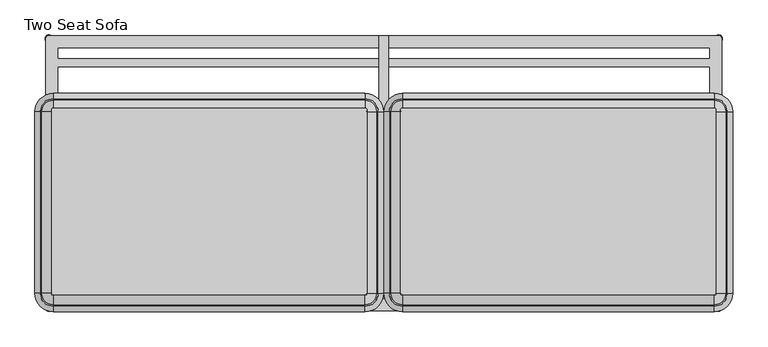
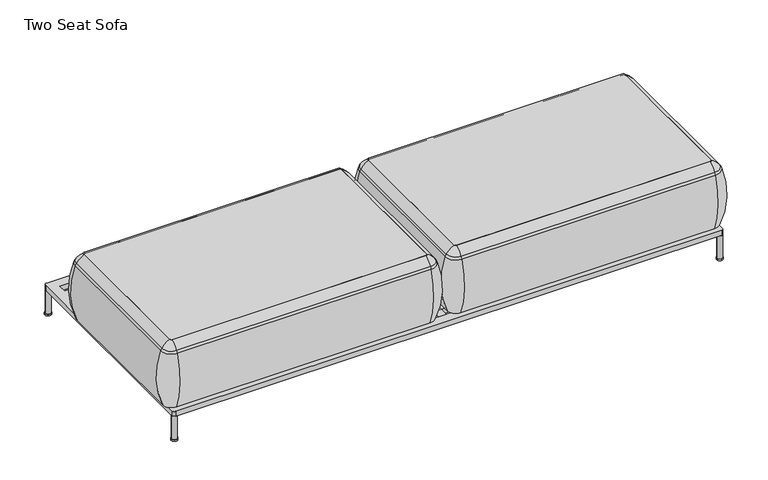
"""IFC4 building model written with IfcOpenShell, lengths in millimetres: furniture geometry, Two Seat Sofa."""

from ifc_helpers import new_model, si_unit, point, frame, frame_2d, origin, origin_with_axes, place, context, project, spatial, polyline, circle_curve, ellipse_curve, trimmed, segment, composite_curve, outline, extrude, source, transform, mapped, element, save
from ifc_brep_helpers import plane_surface, cylinder_surface, revolved_surface, advanced_brep


def two_seat_sofa_555eac6b(model_context):
    return source(origin(), model_context, "Body", "SolidModel", [
        extrude(outline(composite_curve([segment(trimmed(circle_curve(frame_2d((-155.4452882, -433.7002937)), 12.5000005), [point((-167.9452886, -433.7002937))], [point((-142.9452877, -433.7002937))], False, "CARTESIAN"), True, "CONTINUOUS"), segment(trimmed(circle_curve(frame_2d((-155.4452882, -433.7002937)), 12.5000005), [point((-142.9452877, -433.7002937))], [point((-167.9452886, -433.7002937))], False, "CARTESIAN"), True, "CONTINUOUS")], self_intersect=False)), origin_with_axes(), (0.0, 0.0, 1.0), 6.0),
        extrude(outline(composite_curve([segment(trimmed(circle_curve(frame_2d((-155.4452882, -133.6667163)), 12.5000005), [point((-167.9452886, -133.6667163))], [point((-142.9452877, -133.6667163))], False, "CARTESIAN"), True, "CONTINUOUS"), segment(trimmed(circle_curve(frame_2d((-155.4452882, -133.6667163)), 12.5000005), [point((-142.9452877, -133.6667163))], [point((-167.9452886, -133.6667163))], False, "CARTESIAN"), True, "CONTINUOUS")], self_intersect=False)), origin_with_axes(), (0.0, 0.0, 1.0), 6.0),
        extrude(outline(polyline([(-169.7406049, -696.2002953), (-169.7406049, 153.6358637), (-139.7406192, 153.6358637), (-139.7406192, -696.2002953), (-169.7406049, -696.2002953)])), frame((0.0, 0.0, 103.6569541), z_axis=(0.0, 0.0, 1.0), x_axis=(1.0, 0.0, 0.0)), (0.0, 0.0, 1.0), 20.3430443),
        extrude(outline(composite_curve([segment(trimmed(circle_curve(frame_2d((-1239.490311, 143.787786)), 12.5000005), [point((-1251.9903115, 143.787786))], [point((-1226.9903105, 143.787786))], False, "CARTESIAN"), True, "CONTINUOUS"), segment(trimmed(circle_curve(frame_2d((-1239.490311, 143.787786)), 12.5000005), [point((-1226.9903105, 143.787786))], [point((-1251.9903115, 143.787786))], False, "CARTESIAN"), True, "CONTINUOUS")], self_intersect=False)), origin_with_axes(), (0.0, 0.0, 1.0), 6.0),
        extrude(outline(composite_curve([segment(trimmed(circle_curve(frame_2d((-1239.490311, -726.2491859)), 12.5000005), [point((-1251.9903115, -726.2491859))], [point((-1226.9903105, -726.2491859))], False, "CARTESIAN"), True, "CONTINUOUS"), segment(trimmed(circle_curve(frame_2d((-1239.490311, -726.2491859)), 12.5000005), [point((-1226.9903105, -726.2491859))], [point((-1251.9903115, -726.2491859))], False, "CARTESIAN"), True, "CONTINUOUS")], self_intersect=False)), origin_with_axes(), (0.0, 0.0, 1.0), 6.0),
        extrude(outline(composite_curve([segment(trimmed(circle_curve(frame_2d((930.1872347, 143.787786)), 12.5000005), [point((917.6872342, 143.787786))], [point((942.6872352, 143.787786))], False, "CARTESIAN"), True, "CONTINUOUS"), segment(trimmed(circle_curve(frame_2d((930.1872347, 143.787786)), 12.5000005), [point((942.6872352, 143.787786))], [point((917.6872342, 143.787786))], False, "CARTESIAN"), True, "CONTINUOUS")], self_intersect=False)), origin_with_axes(), (0.0, 0.0, 1.0), 6.0),
        extrude(outline(composite_curve([segment(trimmed(circle_curve(frame_2d((930.0926028, -726.2033172)), 12.5000005), [point((917.5926024, -726.2033172))], [point((942.5926033, -726.2033172))], False, "CARTESIAN"), True, "CONTINUOUS"), segment(trimmed(circle_curve(frame_2d((930.0926028, -726.2033172)), 12.5000005), [point((942.5926033, -726.2033172))], [point((917.5926024, -726.2033172))], False, "CARTESIAN"), True, "CONTINUOUS")], self_intersect=False)), origin_with_axes(), (0.0, 0.0, 1.0), 6.0),
        extrude(outline(composite_curve([segment(trimmed(circle_curve(frame_2d((-1239.490311, 143.787786)), 10.4664203), [point((-1249.9567314, 143.787786))], [point((-1229.0238907, 143.787786))], False, "CARTESIAN"), True, "CONTINUOUS"), segment(trimmed(circle_curve(frame_2d((-1239.490311, 143.787786)), 10.4664203), [point((-1229.0238907, 143.787786))], [point((-1249.9567314, 143.787786))], False, "CARTESIAN"), True, "CONTINUOUS")], self_intersect=False)), origin_with_axes(), (0.0, 0.0, 1.0), 103.6569541),
        extrude(outline(composite_curve([segment(trimmed(circle_curve(frame_2d((930.1617227, -726.1628448)), 10.4664203), [point((919.6953024, -726.1628448))], [point((940.6281431, -726.1628448))], False, "CARTESIAN"), True, "CONTINUOUS"), segment(trimmed(circle_curve(frame_2d((930.1617227, -726.1628448)), 10.4664203), [point((940.6281431, -726.1628448))], [point((919.6953024, -726.1628448))], False, "CARTESIAN"), True, "CONTINUOUS")], self_intersect=False)), origin_with_axes(), (0.0, 0.0, 1.0), 103.6569541),
        extrude(outline(composite_curve([segment(trimmed(circle_curve(frame_2d((930.2402147, 143.7799368)), 10.4664203), [point((919.7737944, 143.7799368))], [point((940.706635, 143.7799368))], False, "CARTESIAN"), True, "CONTINUOUS"), segment(trimmed(circle_curve(frame_2d((930.2402147, 143.7799368)), 10.4664203), [point((940.706635, 143.7799368))], [point((919.7737944, 143.7799368))], False, "CARTESIAN"), True, "CONTINUOUS")], self_intersect=False)), origin_with_axes(), (0.0, 0.0, 1.0), 103.6569541),
        extrude(outline(composite_curve([segment(trimmed(circle_curve(frame_2d((-1239.4189857, -726.0945909)), 10.4664203), [point((-1249.8854061, -726.0945909))], [point((-1228.9525654, -726.0945909))], False, "CARTESIAN"), True, "CONTINUOUS"), segment(trimmed(circle_curve(frame_2d((-1239.4189857, -726.0945909)), 10.4664203), [point((-1228.9525654, -726.0945909))], [point((-1249.8854061, -726.0945909))], False, "CARTESIAN"), True, "CONTINUOUS")], self_intersect=False)), origin_with_axes(), (0.0, 0.0, 1.0), 103.6569541),
        extrude(outline(composite_curve([segment(polyline([(-1239.9363796, 153.6358637), (930.4551554, 153.6358637)]), True, "CONTINUOUS"), segment(trimmed(circle_curve(frame_2d((930.4551554, 144.0819322)), 9.5539314), [point((930.4551554, 153.6358637))], [point((940.0090868, 144.0819322))], False, "CARTESIAN"), True, "CONTINUOUS"), segment(polyline([(940.0090868, 144.0819322), (940.0090868, -728.9954927)]), True, "CONTINUOUS"), segment(trimmed(circle_curve(frame_2d((932.8161728, -728.9954927)), 7.192914), [point((940.0090868, -728.9954927))], [point((932.8161728, -736.1884068))], False, "CARTESIAN"), True, "CONTINUOUS"), segment(polyline([(932.8161728, -736.1884068), (-1239.6875349, -736.1884068)]), True, "CONTINUOUS"), segment(trimmed(circle_curve(frame_2d((-1239.6875349, -726.3856306)), 9.8027761), [point((-1239.6875349, -736.1884068))], [point((-1249.490311, -726.3856306))], False, "CARTESIAN"), True, "CONTINUOUS"), segment(polyline([(-1249.490311, -726.3856306), (-1249.490311, 144.0819322)]), True, "CONTINUOUS"), segment(trimmed(circle_curve(frame_2d((-1239.9363796, 144.0819322)), 9.5539314), [point((-1249.490311, 144.0819322))], [point((-1239.9363796, 153.6358637))], False, "CARTESIAN"), True, "CONTINUOUS")], self_intersect=False), holes=[polyline([(-1209.5022296, -663.7579623), (-1209.5022296, -696.2002953), (900.1108076, -696.2002953), (900.1108076, -663.7579623), (-1209.5022296, -663.7579623)]), polyline([(-1209.5022296, 113.7997046), (-1209.5022296, 81.2997034), (900.1108076, 81.2997034), (900.1108076, 113.7997046), (-1209.5022296, 113.7997046)]), polyline([(-1209.5022296, -148.700302), (-1209.5022296, -633.7579584), (900.1108076, -633.7579584), (900.1108076, -148.700302), (-1209.5022296, -148.700302)]), polyline([(900.1108076, 51.2996995), (-1209.5022296, 51.2996995), (-1209.5022296, -118.7002981), (900.1108076, -118.7002981), (900.1108076, 51.2996995)])]), frame((0.0, 0.0, 103.6569541), z_axis=(0.0, 0.0, 1.0), x_axis=(1.0, 0.0, 0.0)), (0.0, 0.0, 1.0), 20.3430443),
        extrude(outline(composite_curve([segment(trimmed(circle_curve(frame_2d((-214.7384132, -680.3856623)), 5.2798073), [point((-209.4586059, -680.3856623))], [point((-214.7384132, -685.6654695))], False, "CARTESIAN"), True, "CONTINUOUS"), segment(polyline([(-214.7384132, -685.6654695), (-1225.6584132, -685.6654695)]), True, "CONTINUOUS"), segment(trimmed(circle_curve(frame_2d((-1225.6584132, -680.3856623)), 5.2798073), [point((-1225.6584132, -685.6654695))], [point((-1230.9382204, -680.3856623))], False, "CARTESIAN"), True, "CONTINUOUS"), segment(polyline([(-1230.9382204, -680.3856623), (-1230.9382204, -85.8592577)]), True, "CONTINUOUS"), segment(trimmed(circle_curve(frame_2d((-1225.6584132, -85.8592577)), 5.2798073), [point((-1230.9382204, -85.8592577))], [point((-1225.6584132, -80.5794504))], False, "CARTESIAN"), True, "CONTINUOUS"), segment(polyline([(-1225.6584132, -80.5794504), (-214.7384132, -80.5794504)]), True, "CONTINUOUS"), segment(trimmed(circle_curve(frame_2d((-214.7384132, -85.8592577)), 5.2798073), [point((-214.7384132, -80.5794504))], [point((-209.4586059, -85.8592577))], False, "CARTESIAN"), True, "CONTINUOUS"), segment(polyline([(-209.4586059, -85.8592577), (-209.4586059, -680.3856623)]), True, "CONTINUOUS")], self_intersect=False)), frame((0.0, 0.0, 123.9999984), z_axis=(0.0, 0.0, 1.0), x_axis=(1.0, 0.0, 0.0)), (0.0, 0.0, 1.0), 266.3914023),
        advanced_brep(
        [(-1230.9382204, -680.3856623, 390.3914007), (-1225.6584132, -685.6654695, 390.3914007), (-1225.6584132, -685.6654695, 123.9999984), (-1230.9382204, -680.3856623, 123.9999984), (-1259.6262646, -680.3856623, 123.9999984), (-1225.6584132, -714.3535137, 123.9999984), (-1225.6584132, -722.0329787, 353.7769053), (-1267.3057296, -680.3856623, 353.7769053), (-1230.9382204, -92.2092577, 123.9999984), (-1230.9382204, -92.2092577, 390.3914007), (-1267.3057296, -92.2092577, 353.7769053), (-1259.6262646, -92.2092577, 123.9999984), (-1225.6584132, -86.9294504, 390.3914007), (-1225.6584132, -86.9294504, 123.9999984), (-1225.6584132, -58.2414063, 123.9999984), (-1225.6584132, -50.5619412, 353.7769053), (-214.7384132, -86.9294504, 123.9999984), (-214.7384132, -86.9294504, 390.3914007), (-214.7384132, -50.5619412, 353.7769053), (-214.7384132, -58.2414063, 123.9999984), (-209.4586059, -92.2092577, 390.3914007), (-209.4586059, -92.2092577, 123.9999984), (-180.7705617, -92.2092577, 123.9999984), (-173.0910967, -92.2092577, 353.7769053), (-209.4586059, -680.3856623, 123.9999984), (-209.4586059, -680.3856623, 390.3914007), (-173.0910967, -680.3856623, 353.7769053), (-180.7705617, -680.3856623, 123.9999984), (-214.7384132, -685.6654695, 390.3914007), (-214.7384132, -685.6654695, 123.9999984), (-214.7384132, -714.3535137, 123.9999984), (-214.7384132, -722.0329787, 353.7769053), (-1262.0872697, -680.3856623, 363.6402875), (-1225.6584132, -716.8145188, 363.6402875), (-1262.0872697, -92.2092577, 363.6402875), (-1225.6584132, -55.7804011, 363.6402875), (-214.7384132, -55.7804011, 363.6402875), (-178.3095566, -92.2092577, 363.6402875), (-178.3095566, -680.3856623, 363.6402875), (-214.7384132, -716.8145188, 363.6402875)],
        [
            (0, 1, circle_curve(frame((-1225.6584132, -680.3856623, 390.3914007), z_axis=(0.0, 0.0, 1.0), x_axis=(0.0, -1.0, 0.0)), 5.2798073)),
            (1, 2),
            (2, 3, circle_curve(frame((-1225.6584132, -680.3856623, 123.9999984), z_axis=(0.0, 0.0, -1.0), x_axis=(0.0, -1.0, 0.0)), 5.2798073)),
            (3, 0),
            (4, 5, circle_curve(frame((-1225.6584132, -680.3856623, 123.9999984), z_axis=(0.0, 0.0, 1.0), x_axis=(0.0, -1.0, 0.0)), 33.9678514)),
            (5, 6, circle_curve(frame((-1225.6584132, -417.9792297, 248.9220234), z_axis=(-1.0, 0.0, 0.0), x_axis=(0.0, -1.0, 0.0)), 321.625914)),
            (6, 7, circle_curve(frame((-1225.6584132, -680.3856623, 353.7769053), z_axis=(0.0, 0.0, -1.0), x_axis=(0.0, -1.0, 0.0)), 41.6473165)),
            (7, 4, circle_curve(frame((-963.2519806, -680.3856623, 248.9220234), z_axis=(0.0, -1.0, 0.0), x_axis=(-1.0, 0.0, 0.0)), 321.625914)),
            (3, 8),
            (8, 9),
            (9, 0),
            (7, 10),
            (10, 11, circle_curve(frame((-963.2519806, -92.2092577, 248.9220234), z_axis=(0.0, -1.0, 0.0), x_axis=(-1.0, 0.0, 0.0)), 321.625914)),
            (11, 4),
            (12, 9, circle_curve(frame((-1225.6584132, -92.2092577, 390.3914007), z_axis=(0.0, 0.0, 1.0), x_axis=(-1.0, 0.0, 0.0)), 5.2798073)),
            (8, 13, circle_curve(frame((-1225.6584132, -92.2092577, 123.9999984), z_axis=(0.0, 0.0, -1.0), x_axis=(-1.0, 0.0, 0.0)), 5.2798073)),
            (13, 12),
            (14, 11, circle_curve(frame((-1225.6584132, -92.2092577, 123.9999984), z_axis=(0.0, 0.0, 1.0), x_axis=(-1.0, 0.0, 0.0)), 33.9678514)),
            (10, 15, circle_curve(frame((-1225.6584132, -92.2092577, 353.7769053), z_axis=(0.0, 0.0, -1.0), x_axis=(-1.0, 0.0, 0.0)), 41.6473165)),
            (15, 14, circle_curve(frame((-1225.6584132, -354.6156902, 248.9220234), z_axis=(-1.0, 0.0, 0.0), x_axis=(0.0, 1.0, 0.0)), 321.625914)),
            (13, 16),
            (16, 17),
            (17, 12),
            (15, 18),
            (18, 19, circle_curve(frame((-214.7384132, -354.6156902, 248.9220234), z_axis=(-1.0, 0.0, 0.0), x_axis=(0.0, 1.0, 0.0)), 321.625914)),
            (19, 14),
            (20, 17, circle_curve(frame((-214.7384132, -92.2092577, 390.3914007), z_axis=(0.0, 0.0, 1.0), x_axis=(0.0, 1.0, 0.0)), 5.2798073)),
            (16, 21, circle_curve(frame((-214.7384132, -92.2092577, 123.9999984), z_axis=(0.0, 0.0, -1.0), x_axis=(0.0, 1.0, 0.0)), 5.2798073)),
            (21, 20),
            (22, 19, circle_curve(frame((-214.7384132, -92.2092577, 123.9999984), z_axis=(0.0, 0.0, 1.0), x_axis=(0.0, 1.0, 0.0)), 33.9678514)),
            (18, 23, circle_curve(frame((-214.7384132, -92.2092577, 353.7769053), z_axis=(0.0, 0.0, -1.0), x_axis=(0.0, 1.0, 0.0)), 41.6473165)),
            (23, 22, circle_curve(frame((-477.1448457, -92.2092577, 248.9220234), z_axis=(0.0, 1.0, 0.0), x_axis=(1.0, 0.0, 0.0)), 321.625914)),
            (21, 24),
            (24, 25),
            (25, 20),
            (23, 26),
            (26, 27, circle_curve(frame((-477.1448457, -680.3856623, 248.9220234), z_axis=(0.0, 1.0, 0.0), x_axis=(1.0, 0.0, 0.0)), 321.625914)),
            (27, 22),
            (28, 25, circle_curve(frame((-214.7384132, -680.3856623, 390.3914007), z_axis=(0.0, 0.0, 1.0), x_axis=(1.0, 0.0, 0.0)), 5.2798073)),
            (24, 29, circle_curve(frame((-214.7384132, -680.3856623, 123.9999984), z_axis=(0.0, 0.0, -1.0), x_axis=(1.0, 0.0, 0.0)), 5.2798073)),
            (29, 28),
            (30, 27, circle_curve(frame((-214.7384132, -680.3856623, 123.9999984), z_axis=(0.0, 0.0, 1.0), x_axis=(1.0, 0.0, 0.0)), 33.9678514)),
            (26, 31, circle_curve(frame((-214.7384132, -680.3856623, 353.7769053), z_axis=(0.0, 0.0, -1.0), x_axis=(1.0, 0.0, 0.0)), 41.6473165)),
            (31, 30, circle_curve(frame((-214.7384132, -417.9792297, 248.9220234), z_axis=(1.0, 0.0, 0.0), x_axis=(0.0, -1.0, 0.0)), 321.625914)),
            (30, 5),
            (2, 29),
            (1, 28),
            (31, 6),
            (32, 33, circle_curve(frame((-1225.6584132, -680.3856623, 363.6402875), z_axis=(0.0, 0.0, 1.0), x_axis=(0.0, -1.0, 0.0)), 36.4288566)),
            (33, 1, circle_curve(frame((-1225.6584132, -641.43285, 307.3762868), z_axis=(-1.0, 0.0, 0.0), x_axis=(0.0, -1.0, 0.0)), 94.0639876)),
            (0, 32, circle_curve(frame((-1186.7056009, -680.3856623, 307.3762868), z_axis=(0.0, -1.0, 0.0), x_axis=(-1.0, 0.0, 0.0)), 94.0639876)),
            (6, 33, circle_curve(frame((-1225.6584132, -687.7682596, 341.9604975), z_axis=(-1.0, 0.0, 0.0), x_axis=(0.0, -1.0, 0.0)), 36.2449785)),
            (32, 7, circle_curve(frame((-1233.0410105, -680.3856623, 341.9604975), z_axis=(0.0, -1.0, 0.0), x_axis=(-1.0, 0.0, 0.0)), 36.2449785)),
            (9, 34, circle_curve(frame((-1186.7056009, -92.2092577, 307.3762868), z_axis=(0.0, -1.0, 0.0), x_axis=(-1.0, 0.0, 0.0)), 94.0639876)),
            (34, 32),
            (34, 10, circle_curve(frame((-1233.0410105, -92.2092577, 341.9604975), z_axis=(0.0, -1.0, 0.0), x_axis=(-1.0, 0.0, 0.0)), 36.2449785)),
            (35, 34, circle_curve(frame((-1225.6584132, -92.2092577, 363.6402875), z_axis=(0.0, 0.0, 1.0), x_axis=(-1.0, 0.0, 0.0)), 36.4288566)),
            (12, 35, circle_curve(frame((-1225.6584132, -131.1620699, 307.3762868), z_axis=(-1.0, 0.0, 0.0), x_axis=(0.0, 1.0, 0.0)), 94.0639876)),
            (35, 15, circle_curve(frame((-1225.6584132, -84.8266603, 341.9604975), z_axis=(-1.0, 0.0, 0.0), x_axis=(0.0, 1.0, 0.0)), 36.2449785)),
            (17, 36, circle_curve(frame((-214.7384132, -131.1620699, 307.3762868), z_axis=(-1.0, 0.0, 0.0), x_axis=(0.0, 1.0, 0.0)), 94.0639876)),
            (36, 35),
            (36, 18, circle_curve(frame((-214.7384132, -84.8266603, 341.9604975), z_axis=(-1.0, 0.0, 0.0), x_axis=(0.0, 1.0, 0.0)), 36.2449785)),
            (37, 36, circle_curve(frame((-214.7384132, -92.2092577, 363.6402875), z_axis=(0.0, 0.0, 1.0), x_axis=(0.0, 1.0, 0.0)), 36.4288566)),
            (20, 37, circle_curve(frame((-253.6912254, -92.2092577, 307.3762868), z_axis=(0.0, 1.0, 0.0), x_axis=(1.0, 0.0, 0.0)), 94.0639876)),
            (37, 23, circle_curve(frame((-207.3558158, -92.2092577, 341.9604975), z_axis=(0.0, 1.0, 0.0), x_axis=(1.0, 0.0, 0.0)), 36.2449785)),
            (25, 38, circle_curve(frame((-253.6912254, -680.3856623, 307.3762868), z_axis=(0.0, 1.0, 0.0), x_axis=(1.0, 0.0, 0.0)), 94.0639876)),
            (38, 37),
            (38, 26, circle_curve(frame((-207.3558158, -680.3856623, 341.9604975), z_axis=(0.0, 1.0, 0.0), x_axis=(1.0, 0.0, 0.0)), 36.2449785)),
            (39, 38, circle_curve(frame((-214.7384132, -680.3856623, 363.6402875), z_axis=(0.0, 0.0, 1.0), x_axis=(1.0, 0.0, 0.0)), 36.4288566)),
            (28, 39, circle_curve(frame((-214.7384132, -641.43285, 307.3762868), z_axis=(1.0, 0.0, 0.0), x_axis=(0.0, -1.0, 0.0)), 94.0639876)),
            (39, 31, circle_curve(frame((-214.7384132, -687.7682596, 341.9604975), z_axis=(1.0, 0.0, 0.0), x_axis=(0.0, -1.0, 0.0)), 36.2449785)),
            (33, 39),
        ],
        [
            revolved_surface(polyline([(-1225.6584132, -685.6654696, 123.9999984), (-1225.6584132, -685.6654696, 390.3914007)]), (-1225.6584132, -680.3856623, 0.0), (0.0, 0.0, -1.0)),
            revolved_surface(trimmed(ellipse_curve(frame((-1225.6584132, -417.9792297, 248.9220234), z_axis=(1.0, 0.0, 0.0), x_axis=(0.0, -1.0, 0.0)), 321.625914, 321.625914), [point((-1225.6584132, -722.0329787, 353.7769053))], [point((-1225.6584132, -714.3535137, 123.9999984))], True, "CARTESIAN"), (-1225.6584132, -680.3856623, 0.0), (0.0, 0.0, -1.0)),
            plane_surface(frame((-1230.9382204, -680.3856623, 123.9999984), z_axis=(1.0, 0.0, 0.0), x_axis=(0.0, 1.0, 0.0))),
            cylinder_surface(frame((-963.2519806, -680.3856623, 248.9220234), z_axis=(0.0, -1.0, 0.0), x_axis=(-1.0, 0.0, 0.0)), 321.625914),
            revolved_surface(polyline([(-1230.9382205, -92.2092577, 123.9999984), (-1230.9382205, -92.2092577, 390.3914007)]), (-1225.6584132, -92.2092577, 0.0), (0.0, 0.0, -1.0)),
            revolved_surface(trimmed(ellipse_curve(frame((-963.2519806, -92.2092577, 248.9220234), z_axis=(0.0, -1.0, 0.0), x_axis=(-1.0, 0.0, 0.0)), 321.625914, 321.625914), [point((-1267.3057296, -92.2092577, 353.7769053))], [point((-1259.6262646, -92.2092577, 123.9999984))], True, "CARTESIAN"), (-1225.6584132, -92.2092577, 0.0), (0.0, 0.0, -1.0)),
            plane_surface(frame((-1225.6584132, -86.9294504, 123.9999984), z_axis=(0.0, -1.0, 0.0), x_axis=(1.0, 0.0, 0.0))),
            cylinder_surface(frame((-1225.6584132, -354.6156902, 248.9220234), z_axis=(-1.0, 0.0, 0.0), x_axis=(0.0, 1.0, 0.0)), 321.625914),
            revolved_surface(polyline([(-214.7384132, -86.9294504, 123.9999984), (-214.7384132, -86.9294504, 390.3914007)]), (-214.7384132, -92.2092577, 0.0), (0.0, 0.0, -1.0)),
            revolved_surface(trimmed(ellipse_curve(frame((-214.7384132, -354.6156902, 248.9220234), z_axis=(-1.0, 0.0, 0.0), x_axis=(0.0, 1.0, 0.0)), 321.625914, 321.625914), [point((-214.7384132, -50.5619412, 353.7769053))], [point((-214.7384132, -58.2414063, 123.9999984))], True, "CARTESIAN"), (-214.7384132, -92.2092577, 0.0), (0.0, 0.0, -1.0)),
            plane_surface(frame((-209.4586059, -92.2092577, 123.9999984), z_axis=(-1.0, 0.0, 0.0), x_axis=(0.0, -1.0, 0.0))),
            cylinder_surface(frame((-477.1448457, -92.2092577, 248.9220234), z_axis=(0.0, 1.0, 0.0), x_axis=(1.0, 0.0, 0.0)), 321.625914),
            revolved_surface(polyline([(-209.4586059, -680.3856623, 123.9999984), (-209.4586059, -680.3856623, 390.3914007)]), (-214.7384132, -680.3856623, 0.0), (0.0, 0.0, -1.0)),
            revolved_surface(trimmed(ellipse_curve(frame((-477.1448457, -680.3856623, 248.9220234), z_axis=(0.0, 1.0, 0.0), x_axis=(1.0, 0.0, 0.0)), 321.625914, 321.625914), [point((-173.0910967, -680.3856623, 353.7769053))], [point((-180.7705617, -680.3856623, 123.9999984))], True, "CARTESIAN"), (-214.7384132, -680.3856623, 0.0), (0.0, 0.0, -1.0)),
            plane_surface(frame((-214.7384132, -714.3535137, 123.9999984), z_axis=(0.0, 0.0, -1.0), x_axis=(-1.0, 0.0, 0.0))),
            plane_surface(frame((-214.7384132, -685.6654695, 123.9999984), z_axis=(0.0, 1.0, 0.0), x_axis=(-1.0, 0.0, 0.0))),
            cylinder_surface(frame((-214.7384132, -417.9792297, 248.9220234), z_axis=(1.0, 0.0, 0.0), x_axis=(0.0, -1.0, 0.0)), 321.625914),
            revolved_surface(trimmed(ellipse_curve(frame((-1225.6584132, -641.43285, 307.3762868), z_axis=(1.0, 0.0, 0.0), x_axis=(0.0, -1.0, 0.0)), 94.0639876, 94.0639876), [point((-1225.6584132, -685.6654695, 390.3914007))], [point((-1225.6584132, -716.8145188, 363.6402875))], True, "CARTESIAN"), (-1225.6584132, -680.3856623, 0.0), (0.0, 0.0, -1.0)),
            revolved_surface(trimmed(ellipse_curve(frame((-1225.6584132, -687.7682596, 341.9604975), z_axis=(1.0, 0.0, 0.0), x_axis=(0.0, -1.0, 0.0)), 36.2449785, 36.2449785), [point((-1225.6584132, -716.8145188, 363.6402875))], [point((-1225.6584132, -722.0329787, 353.7769053))], True, "CARTESIAN"), (-1225.6584132, -680.3856623, 0.0), (0.0, 0.0, -1.0)),
            cylinder_surface(frame((-1186.7056009, -680.3856623, 307.3762868), z_axis=(0.0, -1.0, 0.0), x_axis=(-1.0, 0.0, 0.0)), 94.0639876),
            cylinder_surface(frame((-1233.0410105, -680.3856623, 341.9604975), z_axis=(0.0, -1.0, 0.0), x_axis=(-1.0, 0.0, 0.0)), 36.2449785),
            revolved_surface(trimmed(ellipse_curve(frame((-1186.7056009, -92.2092577, 307.3762868), z_axis=(0.0, -1.0, 0.0), x_axis=(-1.0, 0.0, 0.0)), 94.0639876, 94.0639876), [point((-1230.9382204, -92.2092577, 390.3914007))], [point((-1262.0872697, -92.2092577, 363.6402875))], True, "CARTESIAN"), (-1225.6584132, -92.2092577, 0.0), (0.0, 0.0, -1.0)),
            revolved_surface(trimmed(ellipse_curve(frame((-1233.0410105, -92.2092577, 341.9604975), z_axis=(0.0, -1.0, 0.0), x_axis=(-1.0, 0.0, 0.0)), 36.2449785, 36.2449785), [point((-1262.0872697, -92.2092577, 363.6402875))], [point((-1267.3057296, -92.2092577, 353.7769053))], True, "CARTESIAN"), (-1225.6584132, -92.2092577, 0.0), (0.0, 0.0, -1.0)),
            cylinder_surface(frame((-1225.6584132, -131.1620699, 307.3762868), z_axis=(-1.0, 0.0, 0.0), x_axis=(0.0, 1.0, 0.0)), 94.0639876),
            cylinder_surface(frame((-1225.6584132, -84.8266603, 341.9604975), z_axis=(-1.0, 0.0, 0.0), x_axis=(0.0, 1.0, 0.0)), 36.2449785),
            revolved_surface(trimmed(ellipse_curve(frame((-214.7384132, -131.1620699, 307.3762868), z_axis=(-1.0, 0.0, 0.0), x_axis=(0.0, 1.0, 0.0)), 94.0639876, 94.0639876), [point((-214.7384132, -86.9294504, 390.3914007))], [point((-214.7384132, -55.7804011, 363.6402875))], True, "CARTESIAN"), (-214.7384132, -92.2092577, 0.0), (0.0, 0.0, -1.0)),
            revolved_surface(trimmed(ellipse_curve(frame((-214.7384132, -84.8266603, 341.9604975), z_axis=(-1.0, 0.0, 0.0), x_axis=(0.0, 1.0, 0.0)), 36.2449785, 36.2449785), [point((-214.7384132, -55.7804011, 363.6402875))], [point((-214.7384132, -50.5619412, 353.7769053))], True, "CARTESIAN"), (-214.7384132, -92.2092577, 0.0), (0.0, 0.0, -1.0)),
            cylinder_surface(frame((-253.6912254, -92.2092577, 307.3762868), z_axis=(0.0, 1.0, 0.0), x_axis=(1.0, 0.0, 0.0)), 94.0639876),
            cylinder_surface(frame((-207.3558158, -92.2092577, 341.9604975), z_axis=(0.0, 1.0, 0.0), x_axis=(1.0, 0.0, 0.0)), 36.2449785),
            revolved_surface(trimmed(ellipse_curve(frame((-253.6912254, -680.3856623, 307.3762868), z_axis=(0.0, 1.0, 0.0), x_axis=(1.0, 0.0, 0.0)), 94.0639876, 94.0639876), [point((-209.4586059, -680.3856623, 390.3914007))], [point((-178.3095566, -680.3856623, 363.6402875))], True, "CARTESIAN"), (-214.7384132, -680.3856623, 0.0), (0.0, 0.0, -1.0)),
            revolved_surface(trimmed(ellipse_curve(frame((-207.3558158, -680.3856623, 341.9604975), z_axis=(0.0, 1.0, 0.0), x_axis=(1.0, 0.0, 0.0)), 36.2449785, 36.2449785), [point((-178.3095566, -680.3856623, 363.6402875))], [point((-173.0910967, -680.3856623, 353.7769053))], True, "CARTESIAN"), (-214.7384132, -680.3856623, 0.0), (0.0, 0.0, -1.0)),
            cylinder_surface(frame((-214.7384132, -641.43285, 307.3762868), z_axis=(1.0, 0.0, 0.0), x_axis=(0.0, -1.0, 0.0)), 94.0639876),
            cylinder_surface(frame((-214.7384132, -687.7682596, 341.9604975), z_axis=(1.0, 0.0, 0.0), x_axis=(0.0, -1.0, 0.0)), 36.2449785),
        ],
        [
            (0, [[1, 2, 3, 4]]),
            (1, [[5, 6, 7, 8]]),
            (2, [[-4, 9, 10, 11]]),
            (3, [[-8, 12, 13, 14]]),
            (4, [[15, -10, 16, 17]]),
            (5, [[18, -13, 19, 20]]),
            (6, [[-17, 21, 22, 23]]),
            (7, [[-20, 24, 25, 26]]),
            (8, [[27, -22, 28, 29]]),
            (9, [[30, -25, 31, 32]]),
            (10, [[-29, 33, 34, 35]]),
            (11, [[-32, 36, 37, 38]]),
            (12, [[39, -34, 40, 41]]),
            (13, [[42, -37, 43, 44]]),
            (14, [[-38, -42, 45, -5, -14, -18, -26, -30], [46, -40, -33, -28, -21, -16, -9, -3]]),
            (15, [[-41, -46, -2, 47]]),
            (16, [[-44, 48, -6, -45]]),
            (17, [[49, 50, -1, 51]]),
            (18, [[-7, 52, -49, 53]]),
            (19, [[-51, -11, 54, 55]]),
            (20, [[-53, -55, 56, -12]]),
            (21, [[57, -54, -15, 58]]),
            (22, [[-19, -56, -57, 59]]),
            (23, [[-58, -23, 60, 61]]),
            (24, [[-59, -61, 62, -24]]),
            (25, [[63, -60, -27, 64]]),
            (26, [[-31, -62, -63, 65]]),
            (27, [[-64, -35, 66, 67]]),
            (28, [[-65, -67, 68, -36]]),
            (29, [[69, -66, -39, 70]]),
            (30, [[-43, -68, -69, 71]]),
            (31, [[-70, -47, -50, 72]]),
            (32, [[-71, -72, -52, -48]]),
        ],
    ),
        extrude(outline(composite_curve([segment(trimmed(circle_curve(frame_2d((916.4811002, -680.3856623)), 5.2798073), [point((921.7609075, -680.3856623))], [point((916.4811002, -685.6654695))], False, "CARTESIAN"), True, "CONTINUOUS"), segment(polyline([(916.4811002, -685.6654695), (-94.4388998, -685.6654695)]), True, "CONTINUOUS"), segment(trimmed(circle_curve(frame_2d((-94.4388998, -680.3856623)), 5.2798073), [point((-94.4388998, -685.6654695))], [point((-99.718707, -680.3856623))], False, "CARTESIAN"), True, "CONTINUOUS"), segment(polyline([(-99.718707, -680.3856623), (-99.718707, -85.8592577)]), True, "CONTINUOUS"), segment(trimmed(circle_curve(frame_2d((-94.4388998, -85.8592577)), 5.2798073), [point((-99.718707, -85.8592577))], [point((-94.4388998, -80.5794504))], False, "CARTESIAN"), True, "CONTINUOUS"), segment(polyline([(-94.4388998, -80.5794504), (916.4811002, -80.5794504)]), True, "CONTINUOUS"), segment(trimmed(circle_curve(frame_2d((916.4811002, -85.8592577)), 5.2798073), [point((916.4811002, -80.5794504))], [point((921.7609075, -85.8592577))], False, "CARTESIAN"), True, "CONTINUOUS"), segment(polyline([(921.7609075, -85.8592577), (921.7609075, -680.3856623)]), True, "CONTINUOUS")], self_intersect=False)), frame((0.0, 0.0, 123.9999984), z_axis=(0.0, 0.0, 1.0), x_axis=(1.0, 0.0, 0.0)), (0.0, 0.0, 1.0), 266.3914023),
        advanced_brep(
        [(-99.718707, -680.3856623, 390.3914007), (-94.4388998, -685.6654695, 390.3914007), (-94.4388998, -685.6654695, 123.9999984), (-99.718707, -680.3856623, 123.9999984), (-128.4067512, -680.3856623, 123.9999984), (-94.4388998, -714.3535137, 123.9999984), (-94.4388998, -722.0329787, 353.7769053), (-136.0862162, -680.3856623, 353.7769053), (-99.718707, -92.2092577, 123.9999984), (-99.718707, -92.2092577, 390.3914007), (-136.0862162, -92.2092577, 353.7769053), (-128.4067512, -92.2092577, 123.9999984), (-94.4388998, -86.9294504, 390.3914007), (-94.4388998, -86.9294504, 123.9999984), (-94.4388998, -58.2414063, 123.9999984), (-94.4388998, -50.5619412, 353.7769053), (916.4811002, -86.9294504, 123.9999984), (916.4811002, -86.9294504, 390.3914007), (916.4811002, -50.5619412, 353.7769053), (916.4811002, -58.2414063, 123.9999984), (921.7609075, -92.2092577, 390.3914007), (921.7609075, -92.2092577, 123.9999984), (950.4489517, -92.2092577, 123.9999984), (958.1284167, -92.2092577, 353.7769053), (921.7609075, -680.3856623, 123.9999984), (921.7609075, -680.3856623, 390.3914007), (958.1284167, -680.3856623, 353.7769053), (950.4489517, -680.3856623, 123.9999984), (916.4811002, -685.6654695, 390.3914007), (916.4811002, -685.6654695, 123.9999984), (916.4811002, -714.3535137, 123.9999984), (916.4811002, -722.0329787, 353.7769053), (-130.8677563, -680.3856623, 363.6402875), (-94.4388998, -716.8145188, 363.6402875), (-130.8677563, -92.2092577, 363.6402875), (-94.4388998, -55.7804011, 363.6402875), (916.4811002, -55.7804011, 363.6402875), (952.9099568, -92.2092577, 363.6402875), (952.9099568, -680.3856623, 363.6402875), (916.4811002, -716.8145188, 363.6402875)],
        [
            (0, 1, circle_curve(frame((-94.4388998, -680.3856623, 390.3914007), z_axis=(0.0, 0.0, 1.0), x_axis=(0.0, -1.0, 0.0)), 5.2798073)),
            (1, 2),
            (2, 3, circle_curve(frame((-94.4388998, -680.3856623, 123.9999984), z_axis=(0.0, 0.0, -1.0), x_axis=(0.0, -1.0, 0.0)), 5.2798073)),
            (3, 0),
            (4, 5, circle_curve(frame((-94.4388998, -680.3856623, 123.9999984), z_axis=(0.0, 0.0, 1.0), x_axis=(0.0, -1.0, 0.0)), 33.9678514)),
            (5, 6, circle_curve(frame((-94.4388998, -417.9792297, 248.9220234), z_axis=(-1.0, 0.0, 0.0), x_axis=(0.0, -1.0, 0.0)), 321.625914)),
            (6, 7, circle_curve(frame((-94.4388998, -680.3856623, 353.7769053), z_axis=(0.0, 0.0, -1.0), x_axis=(0.0, -1.0, 0.0)), 41.6473165)),
            (7, 4, circle_curve(frame((167.9675328, -680.3856623, 248.9220234), z_axis=(0.0, -1.0, 0.0), x_axis=(-1.0, 0.0, 0.0)), 321.625914)),
            (3, 8),
            (8, 9),
            (9, 0),
            (7, 10),
            (10, 11, circle_curve(frame((167.9675328, -92.2092577, 248.9220234), z_axis=(0.0, -1.0, 0.0), x_axis=(-1.0, 0.0, 0.0)), 321.625914)),
            (11, 4),
            (12, 9, circle_curve(frame((-94.4388998, -92.2092577, 390.3914007), z_axis=(0.0, 0.0, 1.0), x_axis=(-1.0, 0.0, 0.0)), 5.2798073)),
            (8, 13, circle_curve(frame((-94.4388998, -92.2092577, 123.9999984), z_axis=(0.0, 0.0, -1.0), x_axis=(-1.0, 0.0, 0.0)), 5.2798073)),
            (13, 12),
            (14, 11, circle_curve(frame((-94.4388998, -92.2092577, 123.9999984), z_axis=(0.0, 0.0, 1.0), x_axis=(-1.0, 0.0, 0.0)), 33.9678514)),
            (10, 15, circle_curve(frame((-94.4388998, -92.2092577, 353.7769053), z_axis=(0.0, 0.0, -1.0), x_axis=(-1.0, 0.0, 0.0)), 41.6473165)),
            (15, 14, circle_curve(frame((-94.4388998, -354.6156902, 248.9220234), z_axis=(-1.0, 0.0, 0.0), x_axis=(0.0, 1.0, 0.0)), 321.625914)),
            (13, 16),
            (16, 17),
            (17, 12),
            (15, 18),
            (18, 19, circle_curve(frame((916.4811002, -354.6156902, 248.9220234), z_axis=(-1.0, 0.0, 0.0), x_axis=(0.0, 1.0, 0.0)), 321.625914)),
            (19, 14),
            (20, 17, circle_curve(frame((916.4811002, -92.2092577, 390.3914007), z_axis=(0.0, 0.0, 1.0), x_axis=(0.0, 1.0, 0.0)), 5.2798073)),
            (16, 21, circle_curve(frame((916.4811002, -92.2092577, 123.9999984), z_axis=(0.0, 0.0, -1.0), x_axis=(0.0, 1.0, 0.0)), 5.2798073)),
            (21, 20),
            (22, 19, circle_curve(frame((916.4811002, -92.2092577, 123.9999984), z_axis=(0.0, 0.0, 1.0), x_axis=(0.0, 1.0, 0.0)), 33.9678514)),
            (18, 23, circle_curve(frame((916.4811002, -92.2092577, 353.7769053), z_axis=(0.0, 0.0, -1.0), x_axis=(0.0, 1.0, 0.0)), 41.6473165)),
            (23, 22, circle_curve(frame((654.0746677, -92.2092577, 248.9220234), z_axis=(0.0, 1.0, 0.0), x_axis=(1.0, 0.0, 0.0)), 321.625914)),
            (21, 24),
            (24, 25),
            (25, 20),
            (23, 26),
            (26, 27, circle_curve(frame((654.0746677, -680.3856623, 248.9220234), z_axis=(0.0, 1.0, 0.0), x_axis=(1.0, 0.0, 0.0)), 321.625914)),
            (27, 22),
            (28, 25, circle_curve(frame((916.4811002, -680.3856623, 390.3914007), z_axis=(0.0, 0.0, 1.0), x_axis=(1.0, 0.0, 0.0)), 5.2798073)),
            (24, 29, circle_curve(frame((916.4811002, -680.3856623, 123.9999984), z_axis=(0.0, 0.0, -1.0), x_axis=(1.0, 0.0, 0.0)), 5.2798073)),
            (29, 28),
            (30, 27, circle_curve(frame((916.4811002, -680.3856623, 123.9999984), z_axis=(0.0, 0.0, 1.0), x_axis=(1.0, 0.0, 0.0)), 33.9678514)),
            (26, 31, circle_curve(frame((916.4811002, -680.3856623, 353.7769053), z_axis=(0.0, 0.0, -1.0), x_axis=(1.0, 0.0, 0.0)), 41.6473165)),
            (31, 30, circle_curve(frame((916.4811002, -417.9792297, 248.9220234), z_axis=(1.0, 0.0, 0.0), x_axis=(0.0, -1.0, 0.0)), 321.625914)),
            (30, 5),
            (2, 29),
            (1, 28),
            (31, 6),
            (32, 33, circle_curve(frame((-94.4388998, -680.3856623, 363.6402875), z_axis=(0.0, 0.0, 1.0), x_axis=(0.0, -1.0, 0.0)), 36.4288566)),
            (33, 1, circle_curve(frame((-94.4388998, -641.43285, 307.3762868), z_axis=(-1.0, 0.0, 0.0), x_axis=(0.0, -1.0, 0.0)), 94.0639876)),
            (0, 32, circle_curve(frame((-55.4860875, -680.3856623, 307.3762868), z_axis=(0.0, -1.0, 0.0), x_axis=(-1.0, 0.0, 0.0)), 94.0639876)),
            (6, 33, circle_curve(frame((-94.4388998, -687.7682596, 341.9604975), z_axis=(-1.0, 0.0, 0.0), x_axis=(0.0, -1.0, 0.0)), 36.2449785)),
            (32, 7, circle_curve(frame((-101.8214971, -680.3856623, 341.9604975), z_axis=(0.0, -1.0, 0.0), x_axis=(-1.0, 0.0, 0.0)), 36.2449785)),
            (9, 34, circle_curve(frame((-55.4860875, -92.2092577, 307.3762868), z_axis=(0.0, -1.0, 0.0), x_axis=(-1.0, 0.0, 0.0)), 94.0639876)),
            (34, 32),
            (34, 10, circle_curve(frame((-101.8214971, -92.2092577, 341.9604975), z_axis=(0.0, -1.0, 0.0), x_axis=(-1.0, 0.0, 0.0)), 36.2449785)),
            (35, 34, circle_curve(frame((-94.4388998, -92.2092577, 363.6402875), z_axis=(0.0, 0.0, 1.0), x_axis=(-1.0, 0.0, 0.0)), 36.4288566)),
            (12, 35, circle_curve(frame((-94.4388998, -131.1620699, 307.3762868), z_axis=(-1.0, 0.0, 0.0), x_axis=(0.0, 1.0, 0.0)), 94.0639876)),
            (35, 15, circle_curve(frame((-94.4388998, -84.8266603, 341.9604975), z_axis=(-1.0, 0.0, 0.0), x_axis=(0.0, 1.0, 0.0)), 36.2449785)),
            (17, 36, circle_curve(frame((916.4811002, -131.1620699, 307.3762868), z_axis=(-1.0, 0.0, 0.0), x_axis=(0.0, 1.0, 0.0)), 94.0639876)),
            (36, 35),
            (36, 18, circle_curve(frame((916.4811002, -84.8266603, 341.9604975), z_axis=(-1.0, 0.0, 0.0), x_axis=(0.0, 1.0, 0.0)), 36.2449785)),
            (37, 36, circle_curve(frame((916.4811002, -92.2092577, 363.6402875), z_axis=(0.0, 0.0, 1.0), x_axis=(0.0, 1.0, 0.0)), 36.4288566)),
            (20, 37, circle_curve(frame((877.528288, -92.2092577, 307.3762868), z_axis=(0.0, 1.0, 0.0), x_axis=(1.0, 0.0, 0.0)), 94.0639876)),
            (37, 23, circle_curve(frame((923.8636976, -92.2092577, 341.9604975), z_axis=(0.0, 1.0, 0.0), x_axis=(1.0, 0.0, 0.0)), 36.2449785)),
            (25, 38, circle_curve(frame((877.528288, -680.3856623, 307.3762868), z_axis=(0.0, 1.0, 0.0), x_axis=(1.0, 0.0, 0.0)), 94.0639876)),
            (38, 37),
            (38, 26, circle_curve(frame((923.8636976, -680.3856623, 341.9604975), z_axis=(0.0, 1.0, 0.0), x_axis=(1.0, 0.0, 0.0)), 36.2449785)),
            (39, 38, circle_curve(frame((916.4811002, -680.3856623, 363.6402875), z_axis=(0.0, 0.0, 1.0), x_axis=(1.0, 0.0, 0.0)), 36.4288566)),
            (28, 39, circle_curve(frame((916.4811002, -641.43285, 307.3762868), z_axis=(1.0, 0.0, 0.0), x_axis=(0.0, -1.0, 0.0)), 94.0639876)),
            (39, 31, circle_curve(frame((916.4811002, -687.7682596, 341.9604975), z_axis=(1.0, 0.0, 0.0), x_axis=(0.0, -1.0, 0.0)), 36.2449785)),
            (33, 39),
        ],
        [
            revolved_surface(polyline([(-94.4388998, -685.6654696, 123.9999984), (-94.4388998, -685.6654696, 390.3914007)]), (-94.4388998, -680.3856623, 0.0), (0.0, 0.0, -1.0)),
            revolved_surface(trimmed(ellipse_curve(frame((-94.4388998, -417.9792297, 248.9220234), z_axis=(1.0, 0.0, 0.0), x_axis=(0.0, -1.0, 0.0)), 321.625914, 321.625914), [point((-94.4388998, -722.0329787, 353.7769053))], [point((-94.4388998, -714.3535137, 123.9999984))], True, "CARTESIAN"), (-94.4388998, -680.3856623, 0.0), (0.0, 0.0, -1.0)),
            plane_surface(frame((-99.718707, -680.3856623, 123.9999984), z_axis=(1.0, 0.0, 0.0), x_axis=(0.0, 1.0, 0.0))),
            cylinder_surface(frame((167.9675328, -680.3856623, 248.9220234), z_axis=(0.0, -1.0, 0.0), x_axis=(-1.0, 0.0, 0.0)), 321.625914),
            revolved_surface(polyline([(-99.7187071, -92.2092577, 123.9999984), (-99.7187071, -92.2092577, 390.3914007)]), (-94.4388998, -92.2092577, 0.0), (0.0, 0.0, -1.0)),
            revolved_surface(trimmed(ellipse_curve(frame((167.9675328, -92.2092577, 248.9220234), z_axis=(0.0, -1.0, 0.0), x_axis=(-1.0, 0.0, 0.0)), 321.625914, 321.625914), [point((-136.0862162, -92.2092577, 353.7769053))], [point((-128.4067512, -92.2092577, 123.9999984))], True, "CARTESIAN"), (-94.4388998, -92.2092577, 0.0), (0.0, 0.0, -1.0)),
            plane_surface(frame((-94.4388998, -86.9294504, 123.9999984), z_axis=(0.0, -1.0, 0.0), x_axis=(1.0, 0.0, 0.0))),
            cylinder_surface(frame((-94.4388998, -354.6156902, 248.9220234), z_axis=(-1.0, 0.0, 0.0), x_axis=(0.0, 1.0, 0.0)), 321.625914),
            revolved_surface(polyline([(916.4811002, -86.9294504, 123.9999984), (916.4811002, -86.9294504, 390.3914007)]), (916.4811002, -92.2092577, 0.0), (0.0, 0.0, -1.0)),
            revolved_surface(trimmed(ellipse_curve(frame((916.4811002, -354.6156902, 248.9220234), z_axis=(-1.0, 0.0, 0.0), x_axis=(0.0, 1.0, 0.0)), 321.625914, 321.625914), [point((916.4811002, -50.5619412, 353.7769053))], [point((916.4811002, -58.2414063, 123.9999984))], True, "CARTESIAN"), (916.4811002, -92.2092577, 0.0), (0.0, 0.0, -1.0)),
            plane_surface(frame((921.7609075, -92.2092577, 123.9999984), z_axis=(-1.0, 0.0, 0.0), x_axis=(0.0, -1.0, 0.0))),
            cylinder_surface(frame((654.0746677, -92.2092577, 248.9220234), z_axis=(0.0, 1.0, 0.0), x_axis=(1.0, 0.0, 0.0)), 321.625914),
            revolved_surface(polyline([(921.7609075, -680.3856623, 123.9999984), (921.7609075, -680.3856623, 390.3914007)]), (916.4811002, -680.3856623, 0.0), (0.0, 0.0, -1.0)),
            revolved_surface(trimmed(ellipse_curve(frame((654.0746677, -680.3856623, 248.9220234), z_axis=(0.0, 1.0, 0.0), x_axis=(1.0, 0.0, 0.0)), 321.625914, 321.625914), [point((958.1284167, -680.3856623, 353.7769053))], [point((950.4489517, -680.3856623, 123.9999984))], True, "CARTESIAN"), (916.4811002, -680.3856623, 0.0), (0.0, 0.0, -1.0)),
            plane_surface(frame((916.4811002, -714.3535137, 123.9999984), z_axis=(0.0, 0.0, -1.0), x_axis=(-1.0, 0.0, 0.0))),
            plane_surface(frame((916.4811002, -685.6654695, 123.9999984), z_axis=(0.0, 1.0, 0.0), x_axis=(-1.0, 0.0, 0.0))),
            cylinder_surface(frame((916.4811002, -417.9792297, 248.9220234), z_axis=(1.0, 0.0, 0.0), x_axis=(0.0, -1.0, 0.0)), 321.625914),
            revolved_surface(trimmed(ellipse_curve(frame((-94.4388998, -641.43285, 307.3762868), z_axis=(1.0, 0.0, 0.0), x_axis=(0.0, -1.0, 0.0)), 94.0639876, 94.0639876), [point((-94.4388998, -685.6654695, 390.3914007))], [point((-94.4388998, -716.8145188, 363.6402875))], True, "CARTESIAN"), (-94.4388998, -680.3856623, 0.0), (0.0, 0.0, -1.0)),
            revolved_surface(trimmed(ellipse_curve(frame((-94.4388998, -687.7682596, 341.9604975), z_axis=(1.0, 0.0, 0.0), x_axis=(0.0, -1.0, 0.0)), 36.2449785, 36.2449785), [point((-94.4388998, -716.8145188, 363.6402875))], [point((-94.4388998, -722.0329787, 353.7769053))], True, "CARTESIAN"), (-94.4388998, -680.3856623, 0.0), (0.0, 0.0, -1.0)),
            cylinder_surface(frame((-55.4860875, -680.3856623, 307.3762868), z_axis=(0.0, -1.0, 0.0), x_axis=(-1.0, 0.0, 0.0)), 94.0639876),
            cylinder_surface(frame((-101.8214971, -680.3856623, 341.9604975), z_axis=(0.0, -1.0, 0.0), x_axis=(-1.0, 0.0, 0.0)), 36.2449785),
            revolved_surface(trimmed(ellipse_curve(frame((-55.4860875, -92.2092577, 307.3762868), z_axis=(0.0, -1.0, 0.0), x_axis=(-1.0, 0.0, 0.0)), 94.0639876, 94.0639876), [point((-99.718707, -92.2092577, 390.3914007))], [point((-130.8677563, -92.2092577, 363.6402875))], True, "CARTESIAN"), (-94.4388998, -92.2092577, 0.0), (0.0, 0.0, -1.0)),
            revolved_surface(trimmed(ellipse_curve(frame((-101.8214971, -92.2092577, 341.9604975), z_axis=(0.0, -1.0, 0.0), x_axis=(-1.0, 0.0, 0.0)), 36.2449785, 36.2449785), [point((-130.8677563, -92.2092577, 363.6402875))], [point((-136.0862162, -92.2092577, 353.7769053))], True, "CARTESIAN"), (-94.4388998, -92.2092577, 0.0), (0.0, 0.0, -1.0)),
            cylinder_surface(frame((-94.4388998, -131.1620699, 307.3762868), z_axis=(-1.0, 0.0, 0.0), x_axis=(0.0, 1.0, 0.0)), 94.0639876),
            cylinder_surface(frame((-94.4388998, -84.8266603, 341.9604975), z_axis=(-1.0, 0.0, 0.0), x_axis=(0.0, 1.0, 0.0)), 36.2449785),
            revolved_surface(trimmed(ellipse_curve(frame((916.4811002, -131.1620699, 307.3762868), z_axis=(-1.0, 0.0, 0.0), x_axis=(0.0, 1.0, 0.0)), 94.0639876, 94.0639876), [point((916.4811002, -86.9294504, 390.3914007))], [point((916.4811002, -55.7804011, 363.6402875))], True, "CARTESIAN"), (916.4811002, -92.2092577, 0.0), (0.0, 0.0, -1.0)),
            revolved_surface(trimmed(ellipse_curve(frame((916.4811002, -84.8266603, 341.9604975), z_axis=(-1.0, 0.0, 0.0), x_axis=(0.0, 1.0, 0.0)), 36.2449785, 36.2449785), [point((916.4811002, -55.7804011, 363.6402875))], [point((916.4811002, -50.5619412, 353.7769053))], True, "CARTESIAN"), (916.4811002, -92.2092577, 0.0), (0.0, 0.0, -1.0)),
            cylinder_surface(frame((877.528288, -92.2092577, 307.3762868), z_axis=(0.0, 1.0, 0.0), x_axis=(1.0, 0.0, 0.0)), 94.0639876),
            cylinder_surface(frame((923.8636976, -92.2092577, 341.9604975), z_axis=(0.0, 1.0, 0.0), x_axis=(1.0, 0.0, 0.0)), 36.2449785),
            revolved_surface(trimmed(ellipse_curve(frame((877.528288, -680.3856623, 307.3762868), z_axis=(0.0, 1.0, 0.0), x_axis=(1.0, 0.0, 0.0)), 94.0639876, 94.0639876), [point((921.7609075, -680.3856623, 390.3914007))], [point((952.9099568, -680.3856623, 363.6402875))], True, "CARTESIAN"), (916.4811002, -680.3856623, 0.0), (0.0, 0.0, -1.0)),
            revolved_surface(trimmed(ellipse_curve(frame((923.8636976, -680.3856623, 341.9604975), z_axis=(0.0, 1.0, 0.0), x_axis=(1.0, 0.0, 0.0)), 36.2449785, 36.2449785), [point((952.9099568, -680.3856623, 363.6402875))], [point((958.1284167, -680.3856623, 353.7769053))], True, "CARTESIAN"), (916.4811002, -680.3856623, 0.0), (0.0, 0.0, -1.0)),
            cylinder_surface(frame((916.4811002, -641.43285, 307.3762868), z_axis=(1.0, 0.0, 0.0), x_axis=(0.0, -1.0, 0.0)), 94.0639876),
            cylinder_surface(frame((916.4811002, -687.7682596, 341.9604975), z_axis=(1.0, 0.0, 0.0), x_axis=(0.0, -1.0, 0.0)), 36.2449785),
        ],
        [
            (0, [[1, 2, 3, 4]]),
            (1, [[5, 6, 7, 8]]),
            (2, [[-4, 9, 10, 11]]),
            (3, [[-8, 12, 13, 14]]),
            (4, [[15, -10, 16, 17]]),
            (5, [[18, -13, 19, 20]]),
            (6, [[-17, 21, 22, 23]]),
            (7, [[-20, 24, 25, 26]]),
            (8, [[27, -22, 28, 29]]),
            (9, [[30, -25, 31, 32]]),
            (10, [[-29, 33, 34, 35]]),
            (11, [[-32, 36, 37, 38]]),
            (12, [[39, -34, 40, 41]]),
            (13, [[42, -37, 43, 44]]),
            (14, [[-38, -42, 45, -5, -14, -18, -26, -30], [46, -40, -33, -28, -21, -16, -9, -3]]),
            (15, [[-41, -46, -2, 47]]),
            (16, [[-44, 48, -6, -45]]),
            (17, [[49, 50, -1, 51]]),
            (18, [[-7, 52, -49, 53]]),
            (19, [[-51, -11, 54, 55]]),
            (20, [[-53, -55, 56, -12]]),
            (21, [[57, -54, -15, 58]]),
            (22, [[-19, -56, -57, 59]]),
            (23, [[-58, -23, 60, 61]]),
            (24, [[-59, -61, 62, -24]]),
            (25, [[63, -60, -27, 64]]),
            (26, [[-31, -62, -63, 65]]),
            (27, [[-64, -35, 66, 67]]),
            (28, [[-65, -67, 68, -36]]),
            (29, [[69, -66, -39, 70]]),
            (30, [[-43, -68, -69, 71]]),
            (31, [[-70, -47, -50, 72]]),
            (32, [[-71, -72, -52, -48]]),
        ],
    ),
    ])


if __name__ == "__main__":
    model = new_model("IFC4")
    model_context = context("Model", 3, world=origin())
    ifc_project = project(units=[si_unit("LENGTHUNIT", "METRE", prefix="MILLI")], contexts=[model_context])
    site = spatial("IfcSite", under=ifc_project)
    building = spatial("IfcBuilding", under=site)
    placement = place(None, origin())
    two_seat_sofa_shape = two_seat_sofa_555eac6b(model_context)
    element("IfcFurniture", 1, ObjectType="Two Seat Sofa", at=placement, inside=building, context=model_context, shape_type="MappedRepresentation", body=[
        mapped(two_seat_sofa_shape, transform((0.0, 0.0, 0.0), x_axis=(1.0, 0.0, 0.0), y_axis=(0.0, 1.0, 0.0), z_axis=(0.0, 0.0, 1.0))),
    ])
    save(model, "model.ifc")
